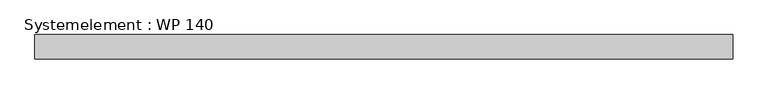
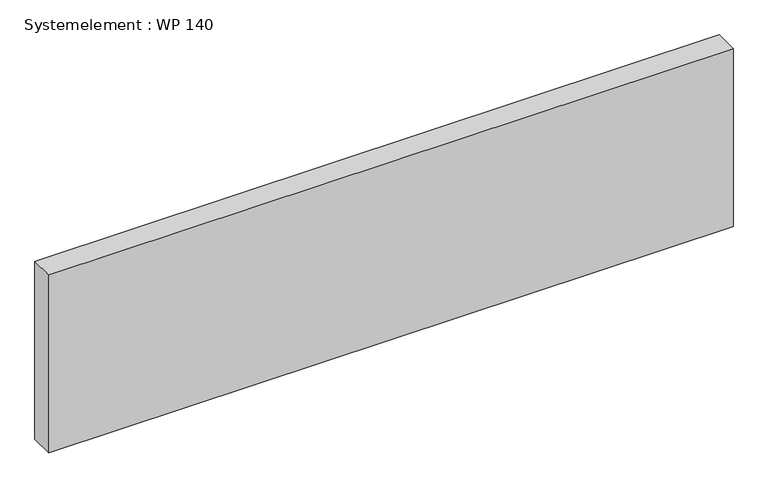
"""IFC4 building model written with IfcOpenShell, lengths in millimetres: plate geometry, Systemelement : WP 140."""

import ifcopenshell
import ifcopenshell.guid

model = None  # the IFC model being written
_history = None  # IfcOwnerHistory: only IFC2X3 demands one
_inside = {}  # id of a spatial element -> (the spatial element, [elements in it])
_under = {}  # id of a project, library or spatial element -> (it, [spatial elements below it])
_declared = {}  # id of a project -> (the project, [libraries it declares])
_typed = {}  # id of a type object -> (the type object, [elements of that type])
_made_of = {}  # id of a material, layer set ... -> (it, [elements and type objects made of it])


def new_model(schema):
    """Start an empty IFC model of exactly this schema.

    Asked for "IFC4X3", IfcOpenShell would pick the latest addendum, in which some entities
    have other attributes; the version numbers below select the first issue.
    IFC2X3 requires an IfcOwnerHistory on every rooted entity: one is made here for all.
    """
    global model, _history
    if schema == "IFC4X3":
        model = ifcopenshell.file(schema_version=(4, 3, 0, 0))
    else:
        model = ifcopenshell.file(schema=schema)
    _inside.clear()
    _under.clear()
    _declared.clear()
    _typed.clear()
    _made_of.clear()
    _history = None
    if model.schema == "IFC2X3":
        org = make("IfcOrganization", Name="unknown")
        user = make(
            "IfcPersonAndOrganization",
            ThePerson=make("IfcPerson", FamilyName="unknown"),
            TheOrganization=org,
        )
        app = make(
            "IfcApplication",
            ApplicationDeveloper=org,
            Version="unknown",
            ApplicationFullName="unknown",
            ApplicationIdentifier="unknown",
        )
        _history = make(
            "IfcOwnerHistory",
            OwningUser=user,
            OwningApplication=app,
            ChangeAction="ADDED",
            CreationDate=0,
        )
    return model


def make(cls, **values):
    """One entity of the class cls with the attributes given. An attribute that is None is left unset."""
    return model.create_entity(
        cls, **{name: value for name, value in values.items() if value is not None}
    )


def rooted(cls, **values):
    """An entity with a GlobalId (a new one), such as an element, a storey or a relation."""
    return make(cls, GlobalId=ifcopenshell.guid.new(), OwnerHistory=_history, **values)


def si_unit(unit_type, name, prefix=None):
    """IfcSIUnit, for example si_unit("LENGTHUNIT", "METRE", prefix="MILLI")."""
    return make("IfcSIUnit", UnitType=unit_type, Prefix=prefix, Name=name)


def assignment(units):
    """IfcUnitAssignment: the units of a project."""
    return None if units is None else make("IfcUnitAssignment", Units=units)


def point(xyz):
    """IfcCartesianPoint."""
    return None if xyz is None else make("IfcCartesianPoint", Coordinates=xyz)


def direction(xyz):
    """IfcDirection."""
    return None if xyz is None else make("IfcDirection", DirectionRatios=xyz)


def frame(location, z_axis=None, x_axis=None):
    """IfcAxis2Placement3D, a coordinate frame: its origin and axes. An axis left out is left unset."""
    return make(
        "IfcAxis2Placement3D",
        Location=point(location),
        Axis=direction(z_axis),
        RefDirection=direction(x_axis),
    )


def origin():
    """The frame at (0, 0, 0) with its axes left unset."""
    return frame((0.0, 0.0, 0.0))


def origin_with_axes():
    """The frame at (0, 0, 0) with the z axis (0, 0, 1) and the x axis (1, 0, 0) written out."""
    return frame((0.0, 0.0, 0.0), z_axis=(0.0, 0.0, 1.0), x_axis=(1.0, 0.0, 0.0))


def place(relative_to, where):
    """IfcLocalPlacement: puts the frame where relative to a parent placement (None: the world)."""
    return make(
        "IfcLocalPlacement", PlacementRelTo=relative_to, RelativePlacement=where
    )


def context(
    kind, dimensions, precision=None, world=None, true_north=None, identifier=None
):
    """IfcGeometricRepresentationContext, for example the 3D "Model" context."""
    return make(
        "IfcGeometricRepresentationContext",
        ContextIdentifier=identifier,
        ContextType=kind,
        CoordinateSpaceDimension=dimensions,
        Precision=precision,
        WorldCoordinateSystem=world,
        TrueNorth=true_north,
    )


def project(units=None, contexts=None):
    """IfcProject with its units and contexts."""
    return rooted(
        "IfcProject",
        Name="project",
        RepresentationContexts=contexts,
        UnitsInContext=assignment(units),
    )


def spatial(cls, under=None, at=None, **own):
    """A site, building, storey or space (cls), placed at a placement, below another one or the project."""
    s = rooted(cls, ObjectPlacement=at, **own)
    if under is not None:
        _under.setdefault(under.id(), (under, []))[1].append(s)
    return s


def polyline(points):
    """IfcPolyline through the points."""
    return make("IfcPolyline", Points=[point(p) for p in points])


def outline(outer, holes=None, kind="AREA"):
    """IfcArbitraryClosedProfileDef: a profile drawn as a closed curve; with holes, ...WithVoids."""
    if holes is None:
        return make("IfcArbitraryClosedProfileDef", ProfileType=kind, OuterCurve=outer)
    return make(
        "IfcArbitraryProfileDefWithVoids",
        ProfileType=kind,
        OuterCurve=outer,
        InnerCurves=holes,
    )


def extrude(swept, where, along, depth):
    """IfcExtrudedAreaSolid: the profile swept, set in the frame where, extruded along a direction by depth."""
    return make(
        "IfcExtrudedAreaSolid",
        SweptArea=swept,
        Position=where,
        ExtrudedDirection=direction(along),
        Depth=depth,
    )


def shape(context_of_items, identifier, shape_type, items):
    """IfcShapeRepresentation: the items that make up one representation, for example the "Body"."""
    return make(
        "IfcShapeRepresentation",
        ContextOfItems=context_of_items,
        RepresentationIdentifier=identifier,
        RepresentationType=shape_type,
        Items=items,
    )


def source(mapping_origin, context_of_items, identifier, shape_type, items):
    """IfcRepresentationMap: a shape defined once, which mapped items show again and again."""
    return make(
        "IfcRepresentationMap",
        MappingOrigin=mapping_origin,
        MappedRepresentation=shape(context_of_items, identifier, shape_type, items),
    )


def transform(
    local_origin,
    x_axis=None,
    y_axis=None,
    z_axis=None,
    scale=None,
    scale2=None,
    scale3=None,
    uniform=True,
):
    """IfcCartesianTransformationOperator3D, or its non-uniform kind. x_axis, y_axis, z_axis: its Axis1, 2, 3."""
    if uniform:
        return make(
            "IfcCartesianTransformationOperator3D",
            Axis1=direction(x_axis),
            Axis2=direction(y_axis),
            LocalOrigin=point(local_origin),
            Scale=scale,
            Axis3=direction(z_axis),
        )
    return make(
        "IfcCartesianTransformationOperator3DnonUniform",
        Axis1=direction(x_axis),
        Axis2=direction(y_axis),
        LocalOrigin=point(local_origin),
        Scale=scale,
        Axis3=direction(z_axis),
        Scale2=scale2,
        Scale3=scale3,
    )


def mapped(mapping_source, mapping_target):
    """IfcMappedItem: shows the shape of a source again, moved by a transform."""
    return make(
        "IfcMappedItem", MappingSource=mapping_source, MappingTarget=mapping_target
    )


def made_of(thing, what):
    """Note that an element or type object is made of a material, layer set ...; save() writes the relation."""
    if what is not None:
        _made_of.setdefault(what.id(), (what, []))[1].append(thing)
    return thing


def element(
    cls,
    number,
    at=None,
    inside=None,
    cuts=None,
    type_object=None,
    material=None,
    context=None,
    identifier="Body",
    shape_type=None,
    held_by="IfcProductDefinitionShape",
    body=None,
    shapes=None,
    **own,
):
    """One element of the class cls, such as IfcWall. Its Tag is "e" and its number.

    at: its placement. inside: the storey or other place that contains it. cuts: it is an
    opening in that element (IfcRelVoidsElement). A single representation is given by context,
    identifier, shape_type and body (its items); several are given by shapes. held_by: the class
    of the entity that holds the representations. save() writes the other relations.
    """
    e = rooted(cls, Tag="e%d" % number, ObjectPlacement=at, **own)
    if body is not None:
        shapes = [shape(context, identifier, shape_type, body)]
    if shapes is not None:
        e.Representation = make(held_by, Representations=shapes)
    if inside is not None:
        _inside.setdefault(inside.id(), (inside, []))[1].append(e)
    if cuts is not None:
        rooted(
            "IfcRelVoidsElement", RelatingBuildingElement=cuts, RelatedOpeningElement=e
        )
    if type_object is not None:
        _typed.setdefault(type_object.id(), (type_object, []))[1].append(e)
    return made_of(e, material)


def aggregate(whole, parts):
    """IfcRelAggregates: a whole, such as a stair, and the parts it consists of."""
    return rooted("IfcRelAggregates", RelatingObject=whole, RelatedObjects=parts)


def save(model, path):
    """Write the relations noted so far, then the file.

    IfcRelAggregates (storeys below a building ...), IfcRelContainedInSpatialStructure (elements
    in a storey), IfcRelDefinesByType, IfcRelAssociatesMaterial and IfcRelDeclares: one each for
    every whole, place, type object, material and project.
    """
    for whole, parts in _under.values():
        aggregate(whole, parts)
    for where, things in _inside.values():
        rooted(
            "IfcRelContainedInSpatialStructure",
            RelatedElements=things,
            RelatingStructure=where,
        )
    for kind, things in _typed.values():
        rooted("IfcRelDefinesByType", RelatedObjects=things, RelatingType=kind)
    for what, things in _made_of.values():
        rooted("IfcRelAssociatesMaterial", RelatedObjects=things, RelatingMaterial=what)
    for by, libraries in _declared.values():
        rooted("IfcRelDeclares", RelatingContext=by, RelatedDefinitions=libraries)
    model.write(path)


def systemelement_wp_140_866c96dc(model_context):
    return source(origin(), model_context, "Body", "SweptSolid", [
        extrude(outline(polyline([(2000.0, -140.0), (-2000.0, -140.0), (-2000.0, 0.0), (2000.0, 0.0), (2000.0, -140.0)])), origin_with_axes(), (0.0, 0.0, 1.0), 1100.0),
    ])


if __name__ == "__main__":
    model = new_model("IFC4")
    model_context = context("Model", 3, world=origin())
    ifc_project = project(units=[si_unit("LENGTHUNIT", "METRE", prefix="MILLI")], contexts=[model_context])
    site = spatial("IfcSite", under=ifc_project)
    building = spatial("IfcBuilding", under=site)
    placement = place(None, origin())
    systemelement_wp_140_shape = systemelement_wp_140_866c96dc(model_context)
    element("IfcPlate", 1, ObjectType="Systemelement : WP 140", at=placement, inside=building, context=model_context, shape_type="MappedRepresentation", body=[
        mapped(systemelement_wp_140_shape, transform((0.0, 0.0, 0.0), x_axis=(1.0, 0.0, 0.0), y_axis=(0.0, 1.0, 0.0), z_axis=(0.0, 0.0, 1.0))),
    ])
    save(model, "model.ifc")
